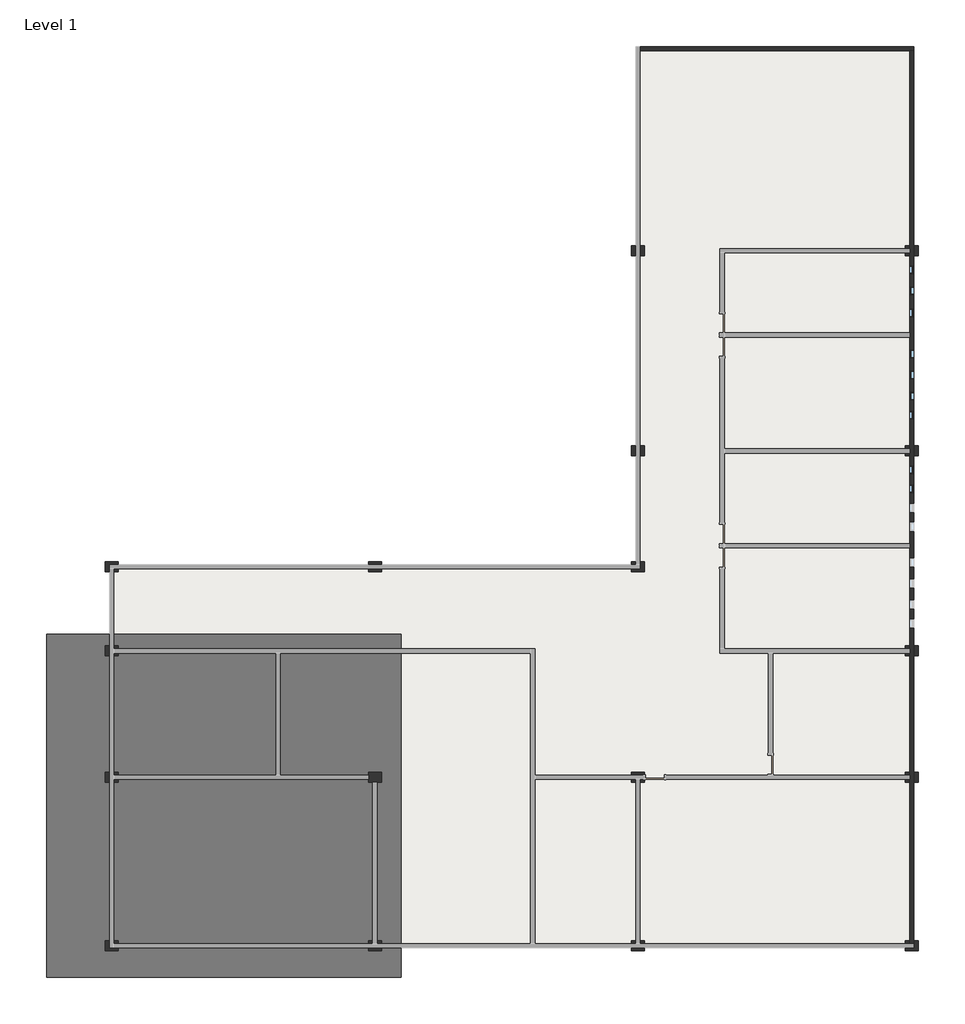
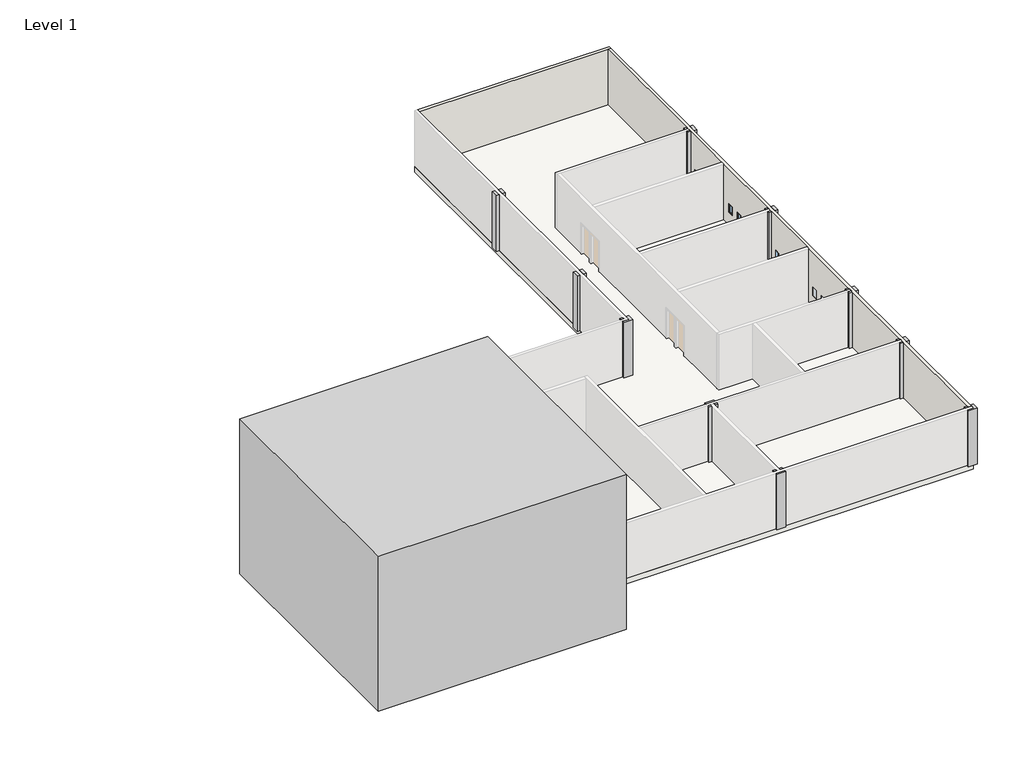
# One storey, part 2 of 2: 17 columns, 9 windows, 2 walls, 1 proxy, 1 slab.
"""IFC4 building model written with IfcOpenShell, lengths in millimetres."""

import ifcopenshell
import ifcopenshell.guid

model = None  # the IFC model being written
_history = None  # IfcOwnerHistory: only IFC2X3 demands one
_inside = {}  # id of a spatial element -> (the spatial element, [elements in it])
_under = {}  # id of a project, library or spatial element -> (it, [spatial elements below it])
_declared = {}  # id of a project -> (the project, [libraries it declares])
_typed = {}  # id of a type object -> (the type object, [elements of that type])
_made_of = {}  # id of a material, layer set ... -> (it, [elements and type objects made of it])


def new_model(schema):
    """Start an empty IFC model of exactly this schema.

    Asked for "IFC4X3", IfcOpenShell would pick the latest addendum, in which some entities
    have other attributes; the version numbers below select the first issue.
    IFC2X3 requires an IfcOwnerHistory on every rooted entity: one is made here for all.
    """
    global model, _history
    if schema == "IFC4X3":
        model = ifcopenshell.file(schema_version=(4, 3, 0, 0))
    else:
        model = ifcopenshell.file(schema=schema)
    _inside.clear()
    _under.clear()
    _declared.clear()
    _typed.clear()
    _made_of.clear()
    _history = None
    if model.schema == "IFC2X3":
        org = make("IfcOrganization", Name="unknown")
        user = make(
            "IfcPersonAndOrganization",
            ThePerson=make("IfcPerson", FamilyName="unknown"),
            TheOrganization=org,
        )
        app = make(
            "IfcApplication",
            ApplicationDeveloper=org,
            Version="unknown",
            ApplicationFullName="unknown",
            ApplicationIdentifier="unknown",
        )
        _history = make(
            "IfcOwnerHistory",
            OwningUser=user,
            OwningApplication=app,
            ChangeAction="ADDED",
            CreationDate=0,
        )
    return model


def make(cls, **values):
    """One entity of the class cls with the attributes given. An attribute that is None is left unset."""
    return model.create_entity(
        cls, **{name: value for name, value in values.items() if value is not None}
    )


def rooted(cls, **values):
    """An entity with a GlobalId (a new one), such as an element, a storey or a relation."""
    return make(cls, GlobalId=ifcopenshell.guid.new(), OwnerHistory=_history, **values)


def si_unit(unit_type, name, prefix=None):
    """IfcSIUnit, for example si_unit("LENGTHUNIT", "METRE", prefix="MILLI")."""
    return make("IfcSIUnit", UnitType=unit_type, Prefix=prefix, Name=name)


def assignment(units):
    """IfcUnitAssignment: the units of a project."""
    return None if units is None else make("IfcUnitAssignment", Units=units)


def point(xyz):
    """IfcCartesianPoint."""
    return None if xyz is None else make("IfcCartesianPoint", Coordinates=xyz)


def direction(xyz):
    """IfcDirection."""
    return None if xyz is None else make("IfcDirection", DirectionRatios=xyz)


def frame(location, z_axis=None, x_axis=None):
    """IfcAxis2Placement3D, a coordinate frame: its origin and axes. An axis left out is left unset."""
    return make(
        "IfcAxis2Placement3D",
        Location=point(location),
        Axis=direction(z_axis),
        RefDirection=direction(x_axis),
    )


def origin():
    """The frame at (0, 0, 0) with its axes left unset."""
    return frame((0.0, 0.0, 0.0))


def origin_with_axes():
    """The frame at (0, 0, 0) with the z axis (0, 0, 1) and the x axis (1, 0, 0) written out."""
    return frame((0.0, 0.0, 0.0), z_axis=(0.0, 0.0, 1.0), x_axis=(1.0, 0.0, 0.0))


def place(relative_to, where):
    """IfcLocalPlacement: puts the frame where relative to a parent placement (None: the world)."""
    return make(
        "IfcLocalPlacement", PlacementRelTo=relative_to, RelativePlacement=where
    )


def context(
    kind, dimensions, precision=None, world=None, true_north=None, identifier=None
):
    """IfcGeometricRepresentationContext, for example the 3D "Model" context."""
    return make(
        "IfcGeometricRepresentationContext",
        ContextIdentifier=identifier,
        ContextType=kind,
        CoordinateSpaceDimension=dimensions,
        Precision=precision,
        WorldCoordinateSystem=world,
        TrueNorth=true_north,
    )


def project(units=None, contexts=None):
    """IfcProject with its units and contexts."""
    return rooted(
        "IfcProject",
        Name="project",
        RepresentationContexts=contexts,
        UnitsInContext=assignment(units),
    )


def spatial(cls, under=None, at=None, **own):
    """A site, building, storey or space (cls), placed at a placement, below another one or the project."""
    s = rooted(cls, ObjectPlacement=at, **own)
    if under is not None:
        _under.setdefault(under.id(), (under, []))[1].append(s)
    return s


def polyline(points):
    """IfcPolyline through the points."""
    return make("IfcPolyline", Points=[point(p) for p in points])


def outline(outer, holes=None, kind="AREA"):
    """IfcArbitraryClosedProfileDef: a profile drawn as a closed curve; with holes, ...WithVoids."""
    if holes is None:
        return make("IfcArbitraryClosedProfileDef", ProfileType=kind, OuterCurve=outer)
    return make(
        "IfcArbitraryProfileDefWithVoids",
        ProfileType=kind,
        OuterCurve=outer,
        InnerCurves=holes,
    )


def extrude(swept, where, along, depth):
    """IfcExtrudedAreaSolid: the profile swept, set in the frame where, extruded along a direction by depth."""
    return make(
        "IfcExtrudedAreaSolid",
        SweptArea=swept,
        Position=where,
        ExtrudedDirection=direction(along),
        Depth=depth,
    )


def faces_of(points, faces, orient=None, outer=None):
    """IfcFace entities. A face is a list of loops; a loop is a list of indices into points, from 0.

    orient and outer hold one flag for each loop. By default every Orientation is true, the
    first loop of a face is its IfcFaceOuterBound and the others are IfcFaceBound.
    """
    made = []
    for i, loops in enumerate(faces):
        bounds = []
        for j, loop in enumerate(loops):
            is_outer = j == 0 if outer is None else outer[i][j]
            bounds.append(
                make(
                    "IfcFaceOuterBound" if is_outer else "IfcFaceBound",
                    Bound=make("IfcPolyLoop", Polygon=[points[k] for k in loop]),
                    Orientation=True if orient is None else orient[i][j],
                )
            )
        made.append(make("IfcFace", Bounds=bounds))
    return made


def faceted_brep(points, faces, orient=None, outer=None, voids=None):
    """IfcFacetedBrep: a solid bounded by flat faces; with voids (closed shells), ...WithVoids."""
    shared = [point(p) for p in points]
    hull = make("IfcClosedShell", CfsFaces=faces_of(shared, faces, orient, outer))
    if voids is None:
        return make("IfcFacetedBrep", Outer=hull)
    return make(
        "IfcFacetedBrepWithVoids",
        Outer=hull,
        Voids=[
            make(cls, CfsFaces=faces_of(shared, fs, o, b)) for cls, fs, o, b in voids
        ],
    )


def shape(context_of_items, identifier, shape_type, items):
    """IfcShapeRepresentation: the items that make up one representation, for example the "Body"."""
    return make(
        "IfcShapeRepresentation",
        ContextOfItems=context_of_items,
        RepresentationIdentifier=identifier,
        RepresentationType=shape_type,
        Items=items,
    )


def source(mapping_origin, context_of_items, identifier, shape_type, items):
    """IfcRepresentationMap: a shape defined once, which mapped items show again and again."""
    return make(
        "IfcRepresentationMap",
        MappingOrigin=mapping_origin,
        MappedRepresentation=shape(context_of_items, identifier, shape_type, items),
    )


def transform(
    local_origin,
    x_axis=None,
    y_axis=None,
    z_axis=None,
    scale=None,
    scale2=None,
    scale3=None,
    uniform=True,
):
    """IfcCartesianTransformationOperator3D, or its non-uniform kind. x_axis, y_axis, z_axis: its Axis1, 2, 3."""
    if uniform:
        return make(
            "IfcCartesianTransformationOperator3D",
            Axis1=direction(x_axis),
            Axis2=direction(y_axis),
            LocalOrigin=point(local_origin),
            Scale=scale,
            Axis3=direction(z_axis),
        )
    return make(
        "IfcCartesianTransformationOperator3DnonUniform",
        Axis1=direction(x_axis),
        Axis2=direction(y_axis),
        LocalOrigin=point(local_origin),
        Scale=scale,
        Axis3=direction(z_axis),
        Scale2=scale2,
        Scale3=scale3,
    )


def mapped(mapping_source, mapping_target):
    """IfcMappedItem: shows the shape of a source again, moved by a transform."""
    return make(
        "IfcMappedItem", MappingSource=mapping_source, MappingTarget=mapping_target
    )


def made_of(thing, what):
    """Note that an element or type object is made of a material, layer set ...; save() writes the relation."""
    if what is not None:
        _made_of.setdefault(what.id(), (what, []))[1].append(thing)
    return thing


def element(
    cls,
    number,
    at=None,
    inside=None,
    cuts=None,
    type_object=None,
    material=None,
    context=None,
    identifier="Body",
    shape_type=None,
    held_by="IfcProductDefinitionShape",
    body=None,
    shapes=None,
    **own,
):
    """One element of the class cls, such as IfcWall. Its Tag is "e" and its number.

    at: its placement. inside: the storey or other place that contains it. cuts: it is an
    opening in that element (IfcRelVoidsElement). A single representation is given by context,
    identifier, shape_type and body (its items); several are given by shapes. held_by: the class
    of the entity that holds the representations. save() writes the other relations.
    """
    e = rooted(cls, Tag="e%d" % number, ObjectPlacement=at, **own)
    if body is not None:
        shapes = [shape(context, identifier, shape_type, body)]
    if shapes is not None:
        e.Representation = make(held_by, Representations=shapes)
    if inside is not None:
        _inside.setdefault(inside.id(), (inside, []))[1].append(e)
    if cuts is not None:
        rooted(
            "IfcRelVoidsElement", RelatingBuildingElement=cuts, RelatedOpeningElement=e
        )
    if type_object is not None:
        _typed.setdefault(type_object.id(), (type_object, []))[1].append(e)
    return made_of(e, material)


def aggregate(whole, parts):
    """IfcRelAggregates: a whole, such as a stair, and the parts it consists of."""
    return rooted("IfcRelAggregates", RelatingObject=whole, RelatedObjects=parts)


def save(model, path):
    """Write the relations noted so far, then the file.

    IfcRelAggregates (storeys below a building ...), IfcRelContainedInSpatialStructure (elements
    in a storey), IfcRelDefinesByType, IfcRelAssociatesMaterial and IfcRelDeclares: one each for
    every whole, place, type object, material and project.
    """
    for whole, parts in _under.values():
        aggregate(whole, parts)
    for where, things in _inside.values():
        rooted(
            "IfcRelContainedInSpatialStructure",
            RelatedElements=things,
            RelatingStructure=where,
        )
    for kind, things in _typed.values():
        rooted("IfcRelDefinesByType", RelatedObjects=things, RelatingType=kind)
    for what, things in _made_of.values():
        rooted("IfcRelAssociatesMaterial", RelatedObjects=things, RelatingMaterial=what)
    for by, libraries in _declared.values():
        rooted("IfcRelDeclares", RelatingContext=by, RelatedDefinitions=libraries)
    model.write(path)


def family1_family1_9be52c09(model_context):
    return source(origin(), model_context, "Body", "SweptSolid", [
        extrude(outline(polyline([(10737.9050457, 7400.0), (10737.9050457, -8900.1344867), (-6100.0, -8900.1344867), (-6100.0, 7400.0), (10737.9050457, 7400.0)])), origin_with_axes(), (0.0, 0.0, 1.0), 11133.0918171),
    ])


def m_fixed_0406_x_0610mm_8205b201(model_context):
    return source(origin(), model_context, "Body", "SweptSolid", [
        extrude(outline(polyline([(-140.0, 78.0), (140.0, 78.0), (140.0, 66.0), (-140.0, 66.0), (-140.0, 78.0)])), frame((0.0, 0.0, 978.0), z_axis=(0.0, 0.0, 1.0), x_axis=(1.0, 0.0, 0.0)), (0.0, 0.0, 1.0), 484.0),
        extrude(outline(polyline([(1506.0, -184.0), (934.0, -184.0), (934.0, 184.0), (1506.0, 184.0), (1506.0, -184.0)]), holes=[polyline([(1462.0, -140.0), (1462.0, 140.0), (978.0, 140.0), (978.0, -140.0), (1462.0, -140.0)])]), frame((0.0, 50.0, 0.0), z_axis=(0.0, 1.0, 0.0), x_axis=(0.0, 0.0, 1.0)), (0.0, 0.0, 1.0), 44.0),
        extrude(outline(polyline([(1525.0, -203.0), (915.0, -203.0), (915.0, 203.0), (1525.0, 203.0), (1525.0, -203.0)]), holes=[polyline([(1506.0, -184.0), (1506.0, 184.0), (934.0, 184.0), (934.0, -184.0), (1506.0, -184.0)])]), frame((0.0, 50.0, 0.0), z_axis=(0.0, 1.0, 0.0), x_axis=(0.0, 0.0, 1.0)), (0.0, 0.0, 1.0), 63.0),
        extrude(outline(polyline([(1525.0, -203.0), (915.0, -203.0), (915.0, 203.0), (1525.0, 203.0), (1525.0, -203.0)]), holes=[polyline([(1493.0, -171.0), (1493.0, 171.0), (947.0, 171.0), (947.0, -171.0), (1493.0, -171.0)])]), frame((0.0, -87.0, 0.0), z_axis=(0.0, 1.0, 0.0), x_axis=(0.0, 0.0, 1.0)), (0.0, 0.0, 1.0), 137.0),
    ])


model = new_model("IFC4")

# Units and contexts
model_context = context("Model", 3, world=origin())
ifc_project = project(units=[si_unit("LENGTHUNIT", "METRE", prefix="MILLI")], contexts=[model_context])

# Site, building, storey
site = spatial("IfcSite", under=ifc_project)
building = spatial("IfcBuilding", under=site)
storey = spatial("IfcBuildingStorey", under=building, Name="Level 1", Elevation=0.0)

# Proxy
placement = place(None, origin())
family1_family1_shape = family1_family1_9be52c09(model_context)
element("IfcBuildingElementProxy", 1, Name="Family1 : Family1", ObjectType="Family1 : Family1", at=placement, inside=storey, context=model_context, shape_type="MappedRepresentation", body=[
    mapped(family1_family1_shape, transform((-15548.5276745, 2266.261327, -2522.7610336), x_axis=(1.0, 0.0, 0.0), y_axis=(0.0, 1.0, 0.0), z_axis=(0.0, 0.0, 1.0))),
])

# Columns
element("IfcColumn", 2, ObjectType="M_Rectangular Column : 475 x 610mm", at=placement, inside=storey, context=model_context, shape_type="SweptSolid", body=[
    extrude(outline(polyline([(6756.4723255, 28103.761327), (6756.4723255, 27628.761327), (6551.4723255, 27628.761327), (6551.4723255, 28103.761327), (6756.4723255, 28103.761327)])), origin_with_axes(), (0.0, 0.0, 1.0), 4000.0),
    extrude(outline(polyline([(6146.4723255, 27628.761327), (6146.4723255, 28103.761327), (6351.4723255, 28103.761327), (6351.4723255, 27628.761327), (6146.4723255, 27628.761327)])), origin_with_axes(), (0.0, 0.0, 1.0), 4000.0),
])
element("IfcColumn", 3, ObjectType="M_Rectangular Column : 475 x 610mm", at=placement, inside=storey, context=model_context, shape_type="SweptSolid", body=[
    extrude(outline(polyline([(19756.4723255, 28103.761327), (19756.4723255, 27628.761327), (19551.4723255, 27628.761327), (19551.4723255, 28103.761327), (19756.4723255, 28103.761327)])), origin_with_axes(), (0.0, 0.0, 1.0), 4000.0),
    extrude(outline(polyline([(19146.4723255, 28103.761327), (19351.4723255, 28103.761327), (19351.4723255, 27966.261327), (19146.4723255, 27966.261327), (19146.4723255, 28103.761327)])), origin_with_axes(), (0.0, 0.0, 1.0), 4000.0),
    extrude(outline(polyline([(19351.4723255, 27628.761327), (19146.4723255, 27628.761327), (19146.4723255, 27766.261327), (19351.4723255, 27766.261327), (19351.4723255, 27628.761327)])), origin_with_axes(), (0.0, 0.0, 1.0), 4000.0),
])
element("IfcColumn", 4, ObjectType="M_Rectangular Column : 475 x 610mm", at=placement, inside=storey, context=model_context, shape_type="SweptSolid", body=[
    extrude(outline(polyline([(19756.4723255, 18603.761327), (19756.4723255, 18128.761327), (19551.4723255, 18128.761327), (19551.4723255, 18603.761327), (19756.4723255, 18603.761327)])), origin_with_axes(), (0.0, 0.0, 1.0), 4000.0),
    extrude(outline(polyline([(19146.4723255, 18603.761327), (19351.4723255, 18603.761327), (19351.4723255, 18466.261327), (19146.4723255, 18466.261327), (19146.4723255, 18603.761327)])), origin_with_axes(), (0.0, 0.0, 1.0), 4000.0),
    extrude(outline(polyline([(19351.4723255, 18128.761327), (19146.4723255, 18128.761327), (19146.4723255, 18266.261327), (19351.4723255, 18266.261327), (19351.4723255, 18128.761327)])), origin_with_axes(), (0.0, 0.0, 1.0), 4000.0),
])
element("IfcColumn", 5, ObjectType="M_Rectangular Column : 475 x 610mm", at=placement, inside=storey, context=model_context, shape_type="SweptSolid", body=[
    extrude(outline(polyline([(6756.4723255, 18603.761327), (6756.4723255, 18128.761327), (6551.4723255, 18128.761327), (6551.4723255, 18603.761327), (6756.4723255, 18603.761327)])), origin_with_axes(), (0.0, 0.0, 1.0), 4000.0),
    extrude(outline(polyline([(6146.4723255, 18128.761327), (6146.4723255, 18603.761327), (6351.4723255, 18603.761327), (6351.4723255, 18128.761327), (6146.4723255, 18128.761327)])), origin_with_axes(), (0.0, 0.0, 1.0), 4000.0),
])
element("IfcColumn", 6, ObjectType="M_Rectangular Column : 475 x 610mm", at=placement, inside=storey, context=model_context, shape_type="SweptSolid", body=[
    extrude(outline(polyline([(6146.4723255, 12966.261327), (6146.4723255, 13103.761327), (6351.4723255, 13103.761327), (6351.4723255, 12966.261327), (6146.4723255, 12966.261327)])), origin_with_axes(), (0.0, 0.0, 1.0), 4000.0),
    extrude(outline(polyline([(6756.4723255, 13103.761327), (6756.4723255, 12628.761327), (6146.4723255, 12628.761327), (6146.4723255, 12766.261327), (6551.4723255, 12766.261327), (6551.4723255, 12966.261327), (6551.4723255, 13103.761327), (6756.4723255, 13103.761327)])), origin_with_axes(), (0.0, 0.0, 1.0), 4000.0),
])
element("IfcColumn", 7, ObjectType="M_Rectangular Column : 475 x 610mm", at=placement, inside=storey, context=model_context, shape_type="SweptSolid", body=[
    extrude(outline(polyline([(-18853.5276745, 12628.761327), (-18853.5276745, 13103.761327), (-18243.5276745, 13103.761327), (-18243.5276745, 12966.261327), (-18648.5276745, 12966.261327), (-18648.5276745, 12766.261327), (-18648.5276745, 12628.761327), (-18853.5276745, 12628.761327)])), origin_with_axes(), (0.0, 0.0, 1.0), 4000.0),
    extrude(outline(polyline([(-18243.5276745, 12766.261327), (-18243.5276745, 12628.761327), (-18448.5276745, 12628.761327), (-18448.5276745, 12766.261327), (-18243.5276745, 12766.261327)])), origin_with_axes(), (0.0, 0.0, 1.0), 4000.0),
])
element("IfcColumn", 8, ObjectType="M_Rectangular Column : 475 x 610mm", at=placement, inside=storey, context=model_context, shape_type="SweptSolid", body=[
    extrude(outline(polyline([(-6353.5276745, 13103.761327), (-5743.5276745, 13103.761327), (-5743.5276745, 12966.261327), (-6353.5276745, 12966.261327), (-6353.5276745, 13103.761327)])), origin_with_axes(), (0.0, 0.0, 1.0), 4000.0),
    extrude(outline(polyline([(-5743.5276745, 12628.761327), (-6353.5276745, 12628.761327), (-6353.5276745, 12766.261327), (-5743.5276745, 12766.261327), (-5743.5276745, 12628.761327)])), origin_with_axes(), (0.0, 0.0, 1.0), 4000.0),
])
element("IfcColumn", 9, ObjectType="M_Rectangular Column : 475 x 610mm", at=placement, inside=storey, context=model_context, shape_type="SweptSolid", body=[
    extrude(outline(polyline([(-5743.5276745, -4896.238673), (-5743.5276745, -5033.738673), (-5948.5276745, -5033.738673), (-5948.5276745, -4896.238673), (-5743.5276745, -4896.238673)])), origin_with_axes(), (0.0, 0.0, 1.0), 4000.0),
    extrude(outline(polyline([(-6353.5276745, -5033.738673), (-6353.5276745, -4896.238673), (-6148.5276745, -4896.238673), (-6148.5276745, -5033.738673), (-6353.5276745, -5033.738673)])), origin_with_axes(), (0.0, 0.0, 1.0), 4000.0),
    extrude(outline(polyline([(-5743.5276745, -5371.238673), (-6353.5276745, -5371.238673), (-6353.5276745, -5233.738673), (-5743.5276745, -5233.738673), (-5743.5276745, -5371.238673)])), origin_with_axes(), (0.0, 0.0, 1.0), 4000.0),
])
element("IfcColumn", 10, ObjectType="M_Rectangular Column : 475 x 610mm", at=placement, inside=storey, context=model_context, shape_type="SweptSolid", body=[
    extrude(outline(polyline([(-18448.5276745, -4896.238673), (-18243.5276745, -4896.238673), (-18243.5276745, -5033.738673), (-18448.5276745, -5033.738673), (-18448.5276745, -4896.238673)])), origin_with_axes(), (0.0, 0.0, 1.0), 4000.0),
    extrude(outline(polyline([(-18243.5276745, -5371.238673), (-18853.5276745, -5371.238673), (-18853.5276745, -4896.238673), (-18648.5276745, -4896.238673), (-18648.5276745, -5233.738673), (-18448.5276745, -5233.738673), (-18243.5276745, -5233.738673), (-18243.5276745, -5371.238673)])), origin_with_axes(), (0.0, 0.0, 1.0), 4000.0),
])
element("IfcColumn", 11, ObjectType="M_Rectangular Column : 475 x 610mm", at=placement, inside=storey, context=model_context, shape_type="SweptSolid", body=[
    extrude(outline(polyline([(6756.4723255, -4896.238673), (6756.4723255, -5033.738673), (6551.4723255, -5033.738673), (6551.4723255, -4896.238673), (6756.4723255, -4896.238673)])), origin_with_axes(), (0.0, 0.0, 1.0), 4000.0),
    extrude(outline(polyline([(6146.4723255, -5033.738673), (6146.4723255, -4896.238673), (6351.4723255, -4896.238673), (6351.4723255, -5033.738673), (6146.4723255, -5033.738673)])), origin_with_axes(), (0.0, 0.0, 1.0), 4000.0),
    extrude(outline(polyline([(6756.4723255, -5371.238673), (6146.4723255, -5371.238673), (6146.4723255, -5233.738673), (6756.4723255, -5233.738673), (6756.4723255, -5371.238673)])), origin_with_axes(), (0.0, 0.0, 1.0), 4000.0),
])
element("IfcColumn", 12, ObjectType="M_Rectangular Column : 475 x 610mm", at=placement, inside=storey, context=model_context, shape_type="SweptSolid", body=[
    extrude(outline(polyline([(19146.4723255, -5033.738673), (19146.4723255, -4896.238673), (19351.4723255, -4896.238673), (19351.4723255, -5033.738673), (19146.4723255, -5033.738673)])), origin_with_axes(), (0.0, 0.0, 1.0), 4000.0),
    extrude(outline(polyline([(19756.4723255, -4896.238673), (19756.4723255, -5371.238673), (19146.4723255, -5371.238673), (19146.4723255, -5233.738673), (19551.4723255, -5233.738673), (19551.4723255, -5033.738673), (19551.4723255, -4896.238673), (19756.4723255, -4896.238673)])), origin_with_axes(), (0.0, 0.0, 1.0), 4000.0),
])
element("IfcColumn", 13, ObjectType="M_Rectangular Column : 475 x 610mm", at=placement, inside=storey, context=model_context, shape_type="SweptSolid", body=[
    extrude(outline(polyline([(19756.4723255, 9103.761327), (19756.4723255, 8628.761327), (19551.4723255, 8628.761327), (19551.4723255, 9103.761327), (19756.4723255, 9103.761327)])), origin_with_axes(), (0.0, 0.0, 1.0), 4000.0),
    extrude(outline(polyline([(19146.4723255, 9103.761327), (19351.4723255, 9103.761327), (19351.4723255, 8966.261327), (19146.4723255, 8966.261327), (19146.4723255, 9103.761327)])), origin_with_axes(), (0.0, 0.0, 1.0), 4000.0),
    extrude(outline(polyline([(19351.4723255, 8628.761327), (19146.4723255, 8628.761327), (19146.4723255, 8766.261327), (19351.4723255, 8766.261327), (19351.4723255, 8628.761327)])), origin_with_axes(), (0.0, 0.0, 1.0), 4000.0),
])
element("IfcColumn", 14, ObjectType="M_Rectangular Column : 475 x 610mm", at=placement, inside=storey, context=model_context, shape_type="SweptSolid", body=[
    extrude(outline(polyline([(-18448.5276745, 9103.761327), (-18243.5276745, 9103.761327), (-18243.5276745, 8966.261327), (-18448.5276745, 8966.261327), (-18448.5276745, 9103.761327)])), origin_with_axes(), (0.0, 0.0, 1.0), 4000.0),
    extrude(outline(polyline([(-18853.5276745, 8628.761327), (-18853.5276745, 9103.761327), (-18648.5276745, 9103.761327), (-18648.5276745, 8628.761327), (-18853.5276745, 8628.761327)])), origin_with_axes(), (0.0, 0.0, 1.0), 4000.0),
    extrude(outline(polyline([(-18243.5276745, 8628.761327), (-18448.5276745, 8628.761327), (-18448.5276745, 8766.261327), (-18243.5276745, 8766.261327), (-18243.5276745, 8628.761327)])), origin_with_axes(), (0.0, 0.0, 1.0), 4000.0),
])
element("IfcColumn", 15, ObjectType="M_Rectangular Column : 475 x 610mm", at=placement, inside=storey, context=model_context, shape_type="SweptSolid", body=[
    extrude(outline(polyline([(-18448.5276745, 3103.761327), (-18243.5276745, 3103.761327), (-18243.5276745, 2966.261327), (-18448.5276745, 2966.261327), (-18448.5276745, 3103.761327)])), origin_with_axes(), (0.0, 0.0, 1.0), 4000.0),
    extrude(outline(polyline([(-18853.5276745, 2628.761327), (-18853.5276745, 3103.761327), (-18648.5276745, 3103.761327), (-18648.5276745, 2628.761327), (-18853.5276745, 2628.761327)])), origin_with_axes(), (0.0, 0.0, 1.0), 4000.0),
    extrude(outline(polyline([(-18243.5276745, 2628.761327), (-18448.5276745, 2628.761327), (-18448.5276745, 2766.261327), (-18243.5276745, 2766.261327), (-18243.5276745, 2628.761327)])), origin_with_axes(), (0.0, 0.0, 1.0), 4000.0),
])
element("IfcColumn", 16, ObjectType="M_Rectangular Column : 475 x 610mm", at=placement, inside=storey, context=model_context, shape_type="SweptSolid", body=[
    extrude(outline(polyline([(19756.4723255, 3103.761327), (19756.4723255, 2628.761327), (19551.4723255, 2628.761327), (19551.4723255, 3103.761327), (19756.4723255, 3103.761327)])), origin_with_axes(), (0.0, 0.0, 1.0), 4000.0),
    extrude(outline(polyline([(19146.4723255, 3103.761327), (19351.4723255, 3103.761327), (19351.4723255, 2966.261327), (19146.4723255, 2966.261327), (19146.4723255, 3103.761327)])), origin_with_axes(), (0.0, 0.0, 1.0), 4000.0),
    extrude(outline(polyline([(19351.4723255, 2628.761327), (19146.4723255, 2628.761327), (19146.4723255, 2766.261327), (19351.4723255, 2766.261327), (19351.4723255, 2628.761327)])), origin_with_axes(), (0.0, 0.0, 1.0), 4000.0),
])
element("IfcColumn", 17, ObjectType="M_Rectangular Column : 475 x 610mm", at=placement, inside=storey, context=model_context, shape_type="Brep", body=[
    faceted_brep([(-5743.5276745, 3103.761327, 4000.0), (-6353.5276745, 3103.761327, 4000.0), (-6353.5276745, 2966.261327, 4000.0), (-6353.5276745, 2766.261327, 4000.0), (-6353.5276745, 2628.761327, 4000.0), (-6148.5276745, 2628.761327, 4000.0), (-5948.5276745, 2628.761327, 4000.0), (-5743.5276745, 2628.761327, 4000.0), (-5743.5276745, 3103.761327, 0.0), (-5743.5276745, 2628.761327, 0.0), (-5948.5276745, 2628.761327, 0.0), (-6148.5276745, 2628.761327, 0.0), (-6353.5276745, 2628.761327, 0.0), (-6353.5276745, 2766.261327, 0.0), (-6353.5276745, 2966.261327, 0.0), (-6353.5276745, 3103.761327, 0.0)], [[[0, 1, 2, 3, 4, 5, 6, 7]], [[8, 9, 10, 11, 12, 13, 14, 15]], [[1, 0, 8, 15]], [[4, 3, 2, 1, 15, 14, 13, 12]], [[7, 6, 5, 4, 12, 11, 10, 9]], [[0, 7, 9, 8]]]),
])
element("IfcColumn", 18, ObjectType="M_Rectangular Column : 475 x 610mm", at=placement, inside=storey, context=model_context, shape_type="SweptSolid", body=[
    extrude(outline(polyline([(6146.4723255, 3103.761327), (6756.4723255, 3103.761327), (6756.4723255, 2966.261327), (6146.4723255, 2966.261327), (6146.4723255, 3103.761327)])), origin_with_axes(), (0.0, 0.0, 1.0), 4000.0),
    extrude(outline(polyline([(6146.4723255, 2628.761327), (6146.4723255, 2766.261327), (6351.4723255, 2766.261327), (6351.4723255, 2628.761327), (6146.4723255, 2628.761327)])), origin_with_axes(), (0.0, 0.0, 1.0), 4000.0),
    extrude(outline(polyline([(6756.4723255, 2766.261327), (6756.4723255, 2628.761327), (6551.4723255, 2628.761327), (6551.4723255, 2766.261327), (6756.4723255, 2766.261327)])), origin_with_axes(), (0.0, 0.0, 1.0), 4000.0),
])

# Slab
element("IfcSlab", 19, ObjectType="Generic Floor - 400mm", at=placement, inside=storey, context=model_context, shape_type="SweptSolid", body=[
    extrude(outline(polyline([(6351.4723255, 12966.261327), (6351.4723255, 37566.261327), (19551.4723255, 37566.261327), (19551.4723255, -5233.738673), (-18648.5276745, -5233.738673), (-18648.5276745, 12966.261327), (6351.4723255, 12966.261327)])), frame((0.0, 0.0, -400.0), z_axis=(0.0, 0.0, 1.0), x_axis=(1.0, 0.0, 0.0)), (0.0, 0.0, 1.0), 400.0),
])

# Walls
element("IfcWall", 20, ObjectType="Generic - 200mm", at=placement, inside=storey, context=model_context, shape_type="Brep", body=[
    faceted_brep([(19551.4723255, -5033.738673, 0.0), (19551.4723255, -4896.238673, 0.0), (19551.4723255, 2628.761327, 0.0), (19551.4723255, 3103.761327, 0.0), (19551.4723255, 8628.761327, 0.0), (19551.4723255, 9103.761327, 0.0), (19551.4723255, 18128.761327, 0.0), (19551.4723255, 18603.761327, 0.0), (19551.4723255, 27628.761327, 0.0), (19551.4723255, 28103.761327, 0.0), (19551.4723255, 37366.261327, 0.0), (19551.4723255, 37366.261327, 4000.0), (19551.4723255, 28103.761327, 4000.0), (19551.4723255, 27628.761327, 4000.0), (19551.4723255, 18603.761327, 4000.0), (19551.4723255, 18128.761327, 4000.0), (19551.4723255, 9103.761327, 4000.0), (19551.4723255, 8628.761327, 4000.0), (19551.4723255, 3103.761327, 4000.0), (19551.4723255, 2628.761327, 4000.0), (19551.4723255, -4896.238673, 4000.0), (19551.4723255, -5033.738673, 4000.0), (19551.4723255, 27169.261327, 915.0), (19551.4723255, 26763.261327, 915.0), (19551.4723255, 26763.261327, 1525.0), (19551.4723255, 27169.261327, 1525.0), (19551.4723255, 25763.261327, 915.0), (19551.4723255, 25763.261327, 1525.0), (19551.4723255, 26169.261327, 1525.0), (19551.4723255, 26169.261327, 915.0), (19551.4723255, 25119.261327, 915.0), (19551.4723255, 24713.261327, 915.0), (19551.4723255, 24713.261327, 1525.0), (19551.4723255, 25119.261327, 1525.0), (19551.4723255, 22763.261327, 915.0), (19551.4723255, 22763.261327, 1525.0), (19551.4723255, 23169.261327, 1525.0), (19551.4723255, 23169.261327, 915.0), (19551.4723255, 21763.261327, 915.0), (19551.4723255, 21763.261327, 1525.0), (19551.4723255, 22169.261327, 1525.0), (19551.4723255, 22169.261327, 915.0), (19551.4723255, 20763.261327, 915.0), (19551.4723255, 20763.261327, 1525.0), (19551.4723255, 21169.261327, 1525.0), (19551.4723255, 21169.261327, 915.0), (19551.4723255, 20269.261327, 915.0), (19551.4723255, 19863.261327, 915.0), (19551.4723255, 19863.261327, 1525.0), (19551.4723255, 20269.261327, 1525.0), (19551.4723255, 17669.261327, 915.0), (19551.4723255, 17263.261327, 915.0), (19551.4723255, 17263.261327, 1525.0), (19551.4723255, 17669.261327, 1525.0), (19551.4723255, 16769.261327, 915.0), (19551.4723255, 16363.261327, 915.0), (19551.4723255, 16363.261327, 1525.0), (19551.4723255, 16769.261327, 1525.0), (19551.4723255, 15869.261327, 915.0), (19551.4723255, 15463.261327, 915.0), (19551.4723255, 15463.261327, 1525.0), (19551.4723255, 15869.261327, 1525.0), (19551.4723255, 14563.261327, 915.0), (19551.4723255, 14563.261327, 1525.0), (19551.4723255, 14969.261327, 1525.0), (19551.4723255, 14969.261327, 915.0), (19551.4723255, 12863.261327, 915.0), (19551.4723255, 12863.261327, 1525.0), (19551.4723255, 13269.261327, 1525.0), (19551.4723255, 13269.261327, 915.0), (19551.4723255, 12269.261327, 915.0), (19551.4723255, 11863.261327, 915.0), (19551.4723255, 11863.261327, 1525.0), (19551.4723255, 12269.261327, 1525.0), (19551.4723255, 11269.261327, 915.0), (19551.4723255, 10863.261327, 915.0), (19551.4723255, 10863.261327, 1525.0), (19551.4723255, 11269.261327, 1525.0), (19551.4723255, 10369.261327, 915.0), (19551.4723255, 9963.261327, 915.0), (19551.4723255, 9963.261327, 1525.0), (19551.4723255, 10369.261327, 1525.0), (19351.4723255, -5033.738673, 0.0), (19351.4723255, -5033.738673, 4000.0), (19351.4723255, -4896.238673, 4000.0), (19351.4723255, 2628.761327, 4000.0), (19351.4723255, 2766.261327, 4000.0), (19351.4723255, 2966.261327, 4000.0), (19351.4723255, 3103.761327, 4000.0), (19351.4723255, 8628.761327, 4000.0), (19351.4723255, 8766.261327, 4000.0), (19351.4723255, 8966.261327, 4000.0), (19351.4723255, 9103.761327, 4000.0), (19351.4723255, 13766.261327, 4000.0), (19351.4723255, 13966.261327, 4000.0), (19351.4723255, 18128.761327, 4000.0), (19351.4723255, 18266.261327, 4000.0), (19351.4723255, 18466.261327, 4000.0), (19351.4723255, 18603.761327, 4000.0), (19351.4723255, 23766.261327, 4000.0), (19351.4723255, 23966.261327, 4000.0), (19351.4723255, 27628.761327, 4000.0), (19351.4723255, 27766.261327, 4000.0), (19351.4723255, 27966.261327, 4000.0), (19351.4723255, 28103.761327, 4000.0), (19351.4723255, 37366.261327, 4000.0), (19351.4723255, 37366.261327, 0.0), (19351.4723255, 28103.761327, 0.0), (19351.4723255, 27966.261327, 0.0), (19351.4723255, 27766.261327, 0.0), (19351.4723255, 27628.761327, 0.0), (19351.4723255, 23966.261327, 0.0), (19351.4723255, 23766.261327, 0.0), (19351.4723255, 18603.761327, 0.0), (19351.4723255, 18466.261327, 0.0), (19351.4723255, 18266.261327, 0.0), (19351.4723255, 18128.761327, 0.0), (19351.4723255, 13966.261327, 0.0), (19351.4723255, 13766.261327, 0.0), (19351.4723255, 9103.761327, 0.0), (19351.4723255, 8966.261327, 0.0), (19351.4723255, 8766.261327, 0.0), (19351.4723255, 8628.761327, 0.0), (19351.4723255, 3103.761327, 0.0), (19351.4723255, 2966.261327, 0.0), (19351.4723255, 2766.261327, 0.0), (19351.4723255, 2628.761327, 0.0), (19351.4723255, -4896.238673, 0.0), (19351.4723255, 27169.261327, 915.0), (19351.4723255, 27169.261327, 1525.0), (19351.4723255, 26763.261327, 1525.0), (19351.4723255, 26763.261327, 915.0), (19351.4723255, 25763.261327, 915.0), (19351.4723255, 26169.261327, 915.0), (19351.4723255, 26169.261327, 1525.0), (19351.4723255, 25763.261327, 1525.0), (19351.4723255, 25119.261327, 915.0), (19351.4723255, 25119.261327, 1525.0), (19351.4723255, 24713.261327, 1525.0), (19351.4723255, 24713.261327, 915.0), (19351.4723255, 22763.261327, 915.0), (19351.4723255, 23169.261327, 915.0), (19351.4723255, 23169.261327, 1525.0), (19351.4723255, 22763.261327, 1525.0), (19351.4723255, 21763.261327, 915.0), (19351.4723255, 22169.261327, 915.0), (19351.4723255, 22169.261327, 1525.0), (19351.4723255, 21763.261327, 1525.0), (19351.4723255, 20763.261327, 915.0), (19351.4723255, 21169.261327, 915.0), (19351.4723255, 21169.261327, 1525.0), (19351.4723255, 20763.261327, 1525.0), (19351.4723255, 20269.261327, 915.0), (19351.4723255, 20269.261327, 1525.0), (19351.4723255, 19863.261327, 1525.0), (19351.4723255, 19863.261327, 915.0), (19351.4723255, 17669.261327, 915.0), (19351.4723255, 17669.261327, 1525.0), (19351.4723255, 17263.261327, 1525.0), (19351.4723255, 17263.261327, 915.0), (19351.4723255, 16769.261327, 915.0), (19351.4723255, 16769.261327, 1525.0), (19351.4723255, 16363.261327, 1525.0), (19351.4723255, 16363.261327, 915.0), (19351.4723255, 15869.261327, 915.0), (19351.4723255, 15869.261327, 1525.0), (19351.4723255, 15463.261327, 1525.0), (19351.4723255, 15463.261327, 915.0), (19351.4723255, 14563.261327, 915.0), (19351.4723255, 14969.261327, 915.0), (19351.4723255, 14969.261327, 1525.0), (19351.4723255, 14563.261327, 1525.0), (19351.4723255, 12863.261327, 915.0), (19351.4723255, 13269.261327, 915.0), (19351.4723255, 13269.261327, 1525.0), (19351.4723255, 12863.261327, 1525.0), (19351.4723255, 12269.261327, 915.0), (19351.4723255, 12269.261327, 1525.0), (19351.4723255, 11863.261327, 1525.0), (19351.4723255, 11863.261327, 915.0), (19351.4723255, 11269.261327, 915.0), (19351.4723255, 11269.261327, 1525.0), (19351.4723255, 10863.261327, 1525.0), (19351.4723255, 10863.261327, 915.0), (19351.4723255, 10369.261327, 915.0), (19351.4723255, 10369.261327, 1525.0), (19351.4723255, 9963.261327, 1525.0), (19351.4723255, 9963.261327, 915.0)], [[[0, 1, 2, 3, 4, 5, 6, 7, 8, 9, 10, 11, 12, 13, 14, 15, 16, 17, 18, 19, 20, 21], [22, 23, 24, 25], [26, 27, 28, 29], [30, 31, 32, 33], [34, 35, 36, 37], [38, 39, 40, 41], [42, 43, 44, 45], [46, 47, 48, 49], [50, 51, 52, 53], [54, 55, 56, 57], [58, 59, 60, 61], [62, 63, 64, 65], [66, 67, 68, 69], [70, 71, 72, 73], [74, 75, 76, 77], [78, 79, 80, 81]], [[82, 83, 84, 85, 86, 87, 88, 89, 90, 91, 92, 93, 94, 95, 96, 97, 98, 99, 100, 101, 102, 103, 104, 105, 106, 107, 108, 109, 110, 111, 112, 113, 114, 115, 116, 117, 118, 119, 120, 121, 122, 123, 124, 125, 126, 127], [128, 129, 130, 131], [132, 133, 134, 135], [136, 137, 138, 139], [140, 141, 142, 143], [144, 145, 146, 147], [148, 149, 150, 151], [152, 153, 154, 155], [156, 157, 158, 159], [160, 161, 162, 163], [164, 165, 166, 167], [168, 169, 170, 171], [172, 173, 174, 175], [176, 177, 178, 179], [180, 181, 182, 183], [184, 185, 186, 187]], [[10, 9, 8, 7, 6, 5, 4, 3, 2, 1, 0, 82, 127, 126, 125, 124, 123, 122, 121, 120, 119, 118, 117, 116, 115, 114, 113, 112, 111, 110, 109, 108, 107, 106]], [[21, 20, 19, 18, 17, 16, 15, 14, 13, 12, 11, 105, 104, 103, 102, 101, 100, 99, 98, 97, 96, 95, 94, 93, 92, 91, 90, 89, 88, 87, 86, 85, 84, 83]], [[0, 21, 83, 82]], [[11, 10, 106, 105]], [[129, 128, 22, 25]], [[130, 129, 25, 24]], [[131, 130, 24, 23]], [[128, 131, 23, 22]], [[27, 26, 132, 135]], [[28, 27, 135, 134]], [[29, 28, 134, 133]], [[26, 29, 133, 132]], [[137, 136, 30, 33]], [[138, 137, 33, 32]], [[139, 138, 32, 31]], [[136, 139, 31, 30]], [[35, 34, 140, 143]], [[36, 35, 143, 142]], [[37, 36, 142, 141]], [[34, 37, 141, 140]], [[39, 38, 144, 147]], [[40, 39, 147, 146]], [[41, 40, 146, 145]], [[38, 41, 145, 144]], [[43, 42, 148, 151]], [[44, 43, 151, 150]], [[45, 44, 150, 149]], [[42, 45, 149, 148]], [[153, 152, 46, 49]], [[154, 153, 49, 48]], [[155, 154, 48, 47]], [[152, 155, 47, 46]], [[157, 156, 50, 53]], [[158, 157, 53, 52]], [[159, 158, 52, 51]], [[156, 159, 51, 50]], [[161, 160, 54, 57]], [[162, 161, 57, 56]], [[163, 162, 56, 55]], [[160, 163, 55, 54]], [[165, 164, 58, 61]], [[166, 165, 61, 60]], [[167, 166, 60, 59]], [[164, 167, 59, 58]], [[63, 62, 168, 171]], [[64, 63, 171, 170]], [[65, 64, 170, 169]], [[62, 65, 169, 168]], [[67, 66, 172, 175]], [[68, 67, 175, 174]], [[69, 68, 174, 173]], [[66, 69, 173, 172]], [[177, 176, 70, 73]], [[178, 177, 73, 72]], [[179, 178, 72, 71]], [[176, 179, 71, 70]], [[181, 180, 74, 77]], [[182, 181, 77, 76]], [[183, 182, 76, 75]], [[180, 183, 75, 74]], [[185, 184, 78, 81]], [[186, 185, 81, 80]], [[187, 186, 80, 79]], [[184, 187, 79, 78]]]),
])
element("IfcWall", 21, ObjectType="Generic - 200mm", at=placement, inside=storey, context=model_context, shape_type="Brep", body=[
    faceted_brep([(6551.4723255, 37366.261327, 0.0), (19351.4723255, 37366.261327, 0.0), (19551.4723255, 37366.261327, 0.0), (19551.4723255, 37366.261327, 4000.0), (19351.4723255, 37366.261327, 4000.0), (6551.4723255, 37366.261327, 4000.0), (6551.4723255, 37566.261327, 0.0), (6551.4723255, 37566.261327, 4000.0), (19551.4723255, 37566.261327, 4000.0), (19551.4723255, 37566.261327, 0.0)], [[[0, 1, 2, 3, 4, 5]], [[6, 7, 8, 9]], [[2, 1, 0, 6, 9]], [[5, 4, 3, 8, 7]], [[0, 5, 7, 6]], [[3, 2, 9, 8]]]),
])

# Windows
m_fixed_0406_x_0610mm_shape = m_fixed_0406_x_0610mm_8205b201(model_context)
element("IfcWindow", 22, ObjectType="M_Fixed : 0406 x 0610mm", at=placement, inside=storey, context=model_context, shape_type="MappedRepresentation", body=[
    mapped(m_fixed_0406_x_0610mm_shape, transform((19438.4723255, 26966.261327, 0.0), x_axis=(0.0, -1.0, 0.0), y_axis=(1.0, 0.0, 0.0), z_axis=(0.0, 0.0, 1.0))),
])
element("IfcWindow", 23, ObjectType="M_Fixed : 0406 x 0610mm", at=placement, inside=storey, context=model_context, shape_type="MappedRepresentation", body=[
    mapped(m_fixed_0406_x_0610mm_shape, transform((19464.4723255, 25966.261327, 0.0), x_axis=(0.0, 1.0, 0.0), y_axis=(-1.0, 0.0, 0.0), z_axis=(0.0, 0.0, 1.0))),
])
element("IfcWindow", 24, ObjectType="M_Fixed : 0406 x 0610mm", at=placement, inside=storey, context=model_context, shape_type="MappedRepresentation", body=[
    mapped(m_fixed_0406_x_0610mm_shape, transform((19438.4723255, 24916.261327, 0.0), x_axis=(0.0, -1.0, 0.0), y_axis=(1.0, 0.0, 0.0), z_axis=(0.0, 0.0, 1.0))),
])
element("IfcWindow", 25, ObjectType="M_Fixed : 0406 x 0610mm", at=placement, inside=storey, context=model_context, shape_type="MappedRepresentation", body=[
    mapped(m_fixed_0406_x_0610mm_shape, transform((19464.4723255, 22966.261327, 0.0), x_axis=(0.0, 1.0, 0.0), y_axis=(-1.0, 0.0, 0.0), z_axis=(0.0, 0.0, 1.0))),
])
element("IfcWindow", 26, ObjectType="M_Fixed : 0406 x 0610mm", at=placement, inside=storey, context=model_context, shape_type="MappedRepresentation", body=[
    mapped(m_fixed_0406_x_0610mm_shape, transform((19464.4723255, 21966.261327, 0.0), x_axis=(0.0, 1.0, 0.0), y_axis=(-1.0, 0.0, 0.0), z_axis=(0.0, 0.0, 1.0))),
])
element("IfcWindow", 27, ObjectType="M_Fixed : 0406 x 0610mm", at=placement, inside=storey, context=model_context, shape_type="MappedRepresentation", body=[
    mapped(m_fixed_0406_x_0610mm_shape, transform((19464.4723255, 20966.261327, 0.0), x_axis=(0.0, 1.0, 0.0), y_axis=(-1.0, 0.0, 0.0), z_axis=(0.0, 0.0, 1.0))),
])
element("IfcWindow", 28, ObjectType="M_Fixed : 0406 x 0610mm", at=placement, inside=storey, context=model_context, shape_type="MappedRepresentation", body=[
    mapped(m_fixed_0406_x_0610mm_shape, transform((19438.4723255, 20066.261327, 0.0), x_axis=(0.0, -1.0, 0.0), y_axis=(1.0, 0.0, 0.0), z_axis=(0.0, 0.0, 1.0))),
])
element("IfcWindow", 29, ObjectType="M_Fixed : 0406 x 0610mm", at=placement, inside=storey, context=model_context, shape_type="MappedRepresentation", body=[
    mapped(m_fixed_0406_x_0610mm_shape, transform((19438.4723255, 17466.261327, 0.0), x_axis=(0.0, -1.0, 0.0), y_axis=(1.0, 0.0, 0.0), z_axis=(0.0, 0.0, 1.0))),
])
element("IfcWindow", 30, ObjectType="M_Fixed : 0406 x 0610mm", at=placement, inside=storey, context=model_context, shape_type="MappedRepresentation", body=[
    mapped(m_fixed_0406_x_0610mm_shape, transform((19438.4723255, 16566.261327, 0.0), x_axis=(0.0, -1.0, 0.0), y_axis=(1.0, 0.0, 0.0), z_axis=(0.0, 0.0, 1.0))),
])

save(model, "model.ifc")
